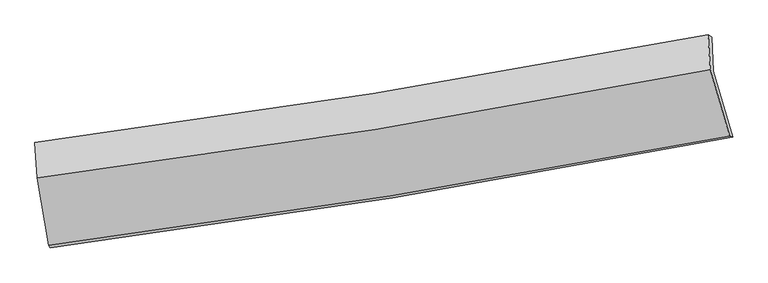
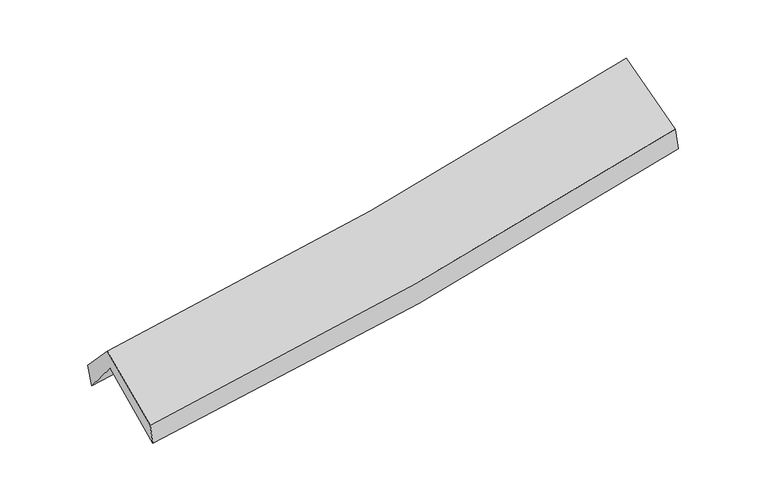
"""IFC4 building model written with IfcOpenShell, lengths in millimetres: proxy geometry."""

from ifc_helpers import new_model, si_unit, frame, origin, place, context, project, spatial, source, transform, mapped, element, save
from ifc_brep_helpers import plane_surface, spline_curve, spline_surface, advanced_brep


def generic_models_0319568d(model_context):
    return source(origin(), model_context, "Body", "AdvancedBrep", [
        advanced_brep(
        [(-2462.0851406, -2475.6465014, 1488.4613707), (-2549.100433, -1982.8091393, 1916.6889374), (2476.734394, -1158.3684122, 2376.1380634), (2622.2738854, -1646.7840461, 1936.8548468), (-2563.0045114, -1723.0946154, 1602.0913199), (2466.1998421, -901.4381166, 2043.6563414), (-2577.3982393, -1689.2285918, 1773.7966868), (2439.3804154, -885.9112482, 2247.0465168), (-2561.2850204, -1954.5355041, 2062.8763773), (2456.1166134, -1144.0643131, 2528.6044696), (-2474.0434347, -2456.4644244, 1650.0652825), (2599.4911211, -1639.2647916, 2118.9548659)],
        [
            (0, 1),
            (1, 2, spline_curve(3, [(-2549.100433, -1982.8091393, 1916.6889374), (-1704.2235795, -1870.411279736, 1959.618919739), (-863.050785717, -1745.525620995, 2019.360028489), (812.230532157, -1470.722302062, 2172.495929522), (1646.336013983, -1320.794384961, 2265.904529491), (2476.734394, -1158.3684122, 2376.1380634)], [4, 2, 4], [0.0, 8.43678948352322, 16.877042965498394])),
            (2, 3),
            (3, 0, spline_curve(3, [(2622.2738854, -1646.7840461, 1936.8548468), (1781.052602666, -1811.375410343, 1831.29343715), (936.657760855, -1962.754429415, 1741.142102251), (-758.131185292, -2239.031071443, 1591.69025661), (-1608.522686008, -2363.939537558, 1532.377099648), (-2462.0851406, -2475.6465014, 1488.4613707)], [4, 2, 4], [0.0, 8.440253481975173, 16.877042965498394])),
            (1, 4),
            (4, 5, spline_curve(3, [(-2563.0045114, -1723.0946154, 1602.0913199), (-1717.886161411, -1612.675464247, 1645.859855246), (-876.311915728, -1489.011286493, 1704.530595935), (800.092446072, -1215.136665378, 1851.706696832), (1634.919652008, -1064.915343612, 1940.224296425), (2466.1998421, -901.4381166, 2043.6563414)], [4, 2, 4], [0.0, 8.390858543966576, 16.785162227943296])),
            (5, 2),
            (4, 6),
            (6, 7, spline_curve(3, [(-2577.3982393, -1689.2285918, 1773.7966868), (-1734.642873336, -1579.059792353, 1824.745009512), (-895.285412264, -1457.048451922, 1889.645697737), (776.976929861, -1189.285730811, 2047.38418155), (1609.879020526, -1043.524623238, 2140.233436378), (2439.3804154, -885.9112482, 2247.0465168)], [4, 2, 4], [0.0, 8.381434800680037, 16.766310872145766])),
            (7, 5),
            (6, 8),
            (8, 9, spline_curve(3, [(-2561.2850204, -1954.5355041, 2062.8763773), (-1718.133562131, -1847.991479127, 2117.807889699), (-878.526120812, -1727.196988696, 2184.074027527), (793.944001056, -1457.051629403, 2339.307415591), (1626.803771044, -1307.689056301, 2428.283975093), (2456.1166134, -1144.0643131, 2528.6044696)], [4, 2, 4], [0.0, 8.37199215471824, 16.747421703236615])),
            (9, 7),
            (8, 10),
            (10, 11, spline_curve(3, [(-2474.0434347, -2456.4644244, 1650.0652825), (-1622.729648448, -2347.39942008, 1706.700130639), (-774.364382198, -2224.783707732, 1774.081460757), (916.816224953, -1952.394959914, 1930.369162158), (1759.62914375, -1802.610794561, 2019.284360038), (2599.4911211, -1639.2647916, 2118.9548659)], [4, 2, 4], [0.0, 8.41910124438355, 16.841659224736905])),
            (11, 9),
            (10, 0),
            (3, 11),
        ],
        [
            spline_surface(3, 3, [[(-2462.0851406, -2475.6465014, 1488.4613707), (-1608.522685873, -2363.939537649, 1532.377099582), (-758.131185423, -2239.03107156, 1591.690256627), (936.657760986, -1962.754429298, 1741.142102235), (1781.05260254, -1811.375410287, 1831.293437222), (2622.2738854, -1646.7840461, 1936.8548468)], [(-2491.090238054, -2311.367380708, 1631.203892942), (-1640.422983727, -2199.430118367, 1674.791039651), (-793.104385521, -2074.529254719, 1734.246847224), (895.182018067, -1798.743720198, 1884.926711339), (1736.147073092, -1647.848401884, 1976.163801344), (2573.760721626, -1483.97883482, 2083.282585682)], [(-2520.095335546, -2147.088259992, 1773.946415158), (-1672.323281619, -2034.92069906, 1817.204979694), (-828.077585655, -1910.027437889, 1876.803437843), (853.706275112, -1634.733011109, 2028.711320466), (1691.241543567, -1484.321393421, 2121.034165422), (2525.247557774, -1321.17362348, 2229.710324518)], [(-2549.100433, -1982.8091393, 1916.6889374), (-1704.223579473, -1870.411279779, 1959.618919763), (-863.050785753, -1745.525621048, 2019.36002844), (812.230532193, -1470.722302009, 2172.495929571), (1646.336014119, -1320.794385017, 2265.904529545), (2476.734394, -1158.3684122, 2376.1380634)]], [4, 4], [4, 2, 4], [0.0, 2.177382304109153], [0.0, 8.43678948352322, 16.877042965498394]),
            spline_surface(3, 3, [[(-2549.100433, -1982.8091393, 1916.6889374), (-1704.223579473, -1870.411279779, 1959.618919763), (-863.050785753, -1745.525621048, 2019.36002844), (812.230532193, -1470.722302009, 2172.495929571), (1646.336014119, -1320.794385017, 2265.904529545), (2476.734394, -1158.3684122, 2376.1380634)], [(-2553.735125795, -1896.237631339, 1811.823064904), (-1708.777773407, -1784.499341242, 1855.032564891), (-867.471162458, -1660.020842841, 1914.41688429), (808.184503518, -1385.527089805, 2065.566185313), (1642.530560037, -1235.501371177, 2157.344451838), (2473.222876671, -1072.724980314, 2265.310822721)], [(-2558.369818605, -1809.666123361, 1706.957192396), (-1713.331967357, -1698.58740269, 1750.446210007), (-871.891539141, -1574.516064657, 1809.47374013), (804.138474865, -1300.331877625, 1958.636441045), (1638.72510604, -1150.208357395, 2048.784374168), (2469.711359429, -987.081548486, 2154.483582079)], [(-2563.0045114, -1723.0946154, 1602.0913199), (-1717.886161291, -1612.675464154, 1645.859855135), (-876.311915846, -1489.01128645, 1704.53059598), (800.09244619, -1215.136665422, 1851.706696788), (1634.919651958, -1064.915343554, 1940.224296461), (2466.1998421, -901.4381166, 2043.6563414)]], [4, 4], [4, 2, 4], [0.0, 1.3396369608431806], [0.0, 8.390858543966576, 16.785162227943296]),
            spline_surface(3, 3, [[(-2563.0045114, -1723.0946154, 1602.0913199), (-1717.886161291, -1612.675464154, 1645.859855135), (-876.311915846, -1489.01128645, 1704.53059598), (800.09244619, -1215.136665422, 1851.706696788), (1634.919651958, -1064.915343554, 1940.224296461), (2466.1998421, -901.4381166, 2043.6563414)], [(-2567.802420726, -1711.805940874, 1659.326442211), (-1723.471732008, -1601.470240237, 1705.488239894), (-882.636414717, -1478.357008284, 1766.235629885), (792.387274104, -1206.519687198, 1916.93252502), (1626.572774839, -1057.78510349, 2006.894009828), (2457.260033211, -896.262493807, 2111.453066554)], [(-2572.600329974, -1700.517266326, 1716.561564489), (-1729.057302649, -1590.265016299, 1765.116624622), (-888.960913527, -1467.702730134, 1827.940663844), (784.682102081, -1197.902708989, 1982.158353305), (1618.225897687, -1050.654863404, 2073.563723132), (2448.320224289, -891.086870993, 2179.249791646)], [(-2577.3982393, -1689.2285918, 1773.7966868), (-1734.642873366, -1579.059792382, 1824.745009382), (-895.285412398, -1457.048451968, 1889.64569775), (776.976929995, -1189.285730765, 2047.384181537), (1609.879020568, -1043.52462334, 2140.233436499), (2439.3804154, -885.9112482, 2247.0465168)]], [4, 4], [4, 2, 4], [0.0, 0.6355861348215254], [0.0, 8.381434800680037, 16.766310872145766]),
            spline_surface(3, 3, [[(-2577.3982393, -1689.2285918, 1773.7966868), (-1734.642873366, -1579.059792382, 1824.745009382), (-895.285412398, -1457.048451968, 1889.64569775), (776.976929995, -1189.285730765, 2047.384181537), (1609.879020568, -1043.52462334, 2140.233436499), (2439.3804154, -885.9112482, 2247.0465168)], [(-2572.027166333, -1777.664229221, 1870.156583636), (-1729.139769645, -1668.703687966, 1922.432636165), (-889.698981878, -1547.097964216, 1987.788474363), (782.63262042, -1278.541030325, 2144.691926187), (1615.520604096, -1131.579434312, 2236.250282676), (2444.959148075, -971.962269848, 2340.899167707)], [(-2566.656093367, -1866.099866679, 1966.516480464), (-1723.636665926, -1758.347583588, 2020.12026294), (-884.112551452, -1637.147476436, 2085.931250998), (788.288310751, -1367.796329857, 2241.999670858), (1621.1621876, -1219.634245241, 2332.267128931), (2450.537880725, -1058.013291452, 2434.751818693)], [(-2561.2850204, -1954.5355041, 2062.8763773), (-1718.133562205, -1847.991479172, 2117.807889723), (-878.526120932, -1727.196988683, 2184.074027611), (793.944001176, -1457.051629416, 2339.307415508), (1626.803771128, -1307.689056213, 2428.283975107), (2456.1166134, -1144.0643131, 2528.6044696)]], [4, 4], [4, 2, 4], [0.0, 1.306474061493562], [0.0, 8.37199215471824, 16.747421703236615]),
            spline_surface(3, 3, [[(-2561.2850204, -1954.5355041, 2062.8763773), (-1718.133562205, -1847.991479172, 2117.807889723), (-878.526120932, -1727.196988683, 2184.074027611), (793.944001176, -1457.051629416, 2339.307415508), (1626.803771128, -1307.689056213, 2428.283975107), (2456.1166134, -1144.0643131, 2528.6044696)], [(-2532.204491819, -2121.845144187, 1925.272679028), (-1686.332257648, -2014.460792783, 1980.771970064), (-843.805541339, -1893.059228372, 2047.409838678), (834.901409063, -1622.166072886, 2202.994664388), (1671.078895309, -1472.662968964, 2291.950770053), (2503.908115968, -1309.131139264, 2392.054601703)], [(-2503.123963281, -2289.154784313, 1787.668980772), (-1654.530953134, -2180.930106433, 1843.736050422), (-809.084961711, -2058.921468096, 1910.745649723), (875.858816987, -1787.280516391, 2066.681913245), (1715.354019486, -1637.636881723, 2155.617564989), (2551.699618532, -1474.197965436, 2255.504733797)], [(-2474.0434347, -2456.4644244, 1650.0652825), (-1622.729648577, -2347.399420044, 1706.700130763), (-774.364382119, -2224.783707785, 1774.08146079), (916.816224874, -1952.39495986, 1930.369162125), (1759.629143667, -1802.610794473, 2019.284359934), (2599.4911211, -1639.2647916, 2118.9548659)]], [4, 4], [4, 2, 4], [0.0, 2.143937336044832], [0.0, 8.41910124438355, 16.841659224736905]),
            spline_surface(3, 3, [[(-2474.0434347, -2456.4644244, 1650.0652825), (-1622.729648577, -2347.399420044, 1706.700130763), (-774.364382119, -2224.783707785, 1774.08146079), (916.816224874, -1952.39495986, 1930.369162125), (1759.629143667, -1802.610794473, 2019.284359934), (2599.4911211, -1639.2647916, 2118.9548659)], [(-2470.057336674, -2462.858450071, 1596.19731188), (-1617.99399435, -2352.912792583, 1648.592453683), (-768.953316557, -2229.532829063, 1713.284392757), (923.430070242, -1955.848116359, 1867.293475516), (1766.770296607, -1805.532333058, 1956.62071903), (2607.08537585, -1641.771209747, 2058.254859533)], [(-2466.071238626, -2469.252475729, 1542.32934132), (-1613.258340101, -2358.426165109, 1590.484776662), (-763.542250985, -2234.281950283, 1652.48732466), (930.043915619, -1959.3012728, 1804.217788844), (1773.911449599, -1808.453871702, 1893.957078126), (2614.67963065, -1644.277627953, 1997.554853167)], [(-2462.0851406, -2475.6465014, 1488.4613707), (-1608.522685873, -2363.939537649, 1532.377099582), (-758.131185423, -2239.03107156, 1591.690256627), (936.657760986, -1962.754429298, 1741.142102235), (1781.05260254, -1811.375410287, 1831.293437222), (2622.2738854, -1646.7840461, 1936.8548468)]], [4, 4], [4, 2, 4], [0.0, 0.6138089544078633], [0.0, 8.474445718129, 16.952370895702387]),
            plane_surface(frame((2510.0327119, -1229.3051546, 2208.5425173), z_axis=(0.9755170138858168, 0.1878947407761482, 0.1142896408602436), x_axis=(0.21773639509670165, -0.7520386208367317, -0.6221163677482532))),
            plane_surface(frame((-2531.1527966, -2046.9631294, 1748.9966624), z_axis=(-0.9905526660185541, -0.12399064457959688, -0.058581019966121785), x_axis=(-0.07328412843812676, 0.11755370676699663, 0.9903588049512173))),
        ],
        [
            (0, [[1, 2, 3, 4]]),
            (1, [[5, 6, 7, -2]]),
            (2, [[8, 9, 10, -6]]),
            (3, [[11, 12, 13, -9]]),
            (4, [[14, 15, 16, -12]]),
            (5, [[17, -4, 18, -15]]),
            (6, [[-16, -18, -3, -7, -10, -13]]),
            (7, [[-17, -14, -11, -8, -5, -1]]),
        ],
    ),
    ])


if __name__ == "__main__":
    model = new_model("IFC4")
    model_context = context("Model", 3, world=origin())
    ifc_project = project(units=[si_unit("LENGTHUNIT", "METRE", prefix="MILLI")], contexts=[model_context])
    site = spatial("IfcSite", under=ifc_project)
    building = spatial("IfcBuilding", under=site)
    placement = place(None, origin())
    generic_models_shape = generic_models_0319568d(model_context)
    element("IfcBuildingElementProxy", 1, Name="Generic Models", at=placement, inside=building, context=model_context, shape_type="MappedRepresentation", body=[
        mapped(generic_models_shape, transform((0.0, 0.0, 0.0), x_axis=(1.0, 0.0, 0.0), y_axis=(0.0, 1.0, 0.0), z_axis=(0.0, 0.0, 1.0))),
    ])
    save(model, "model.ifc")
